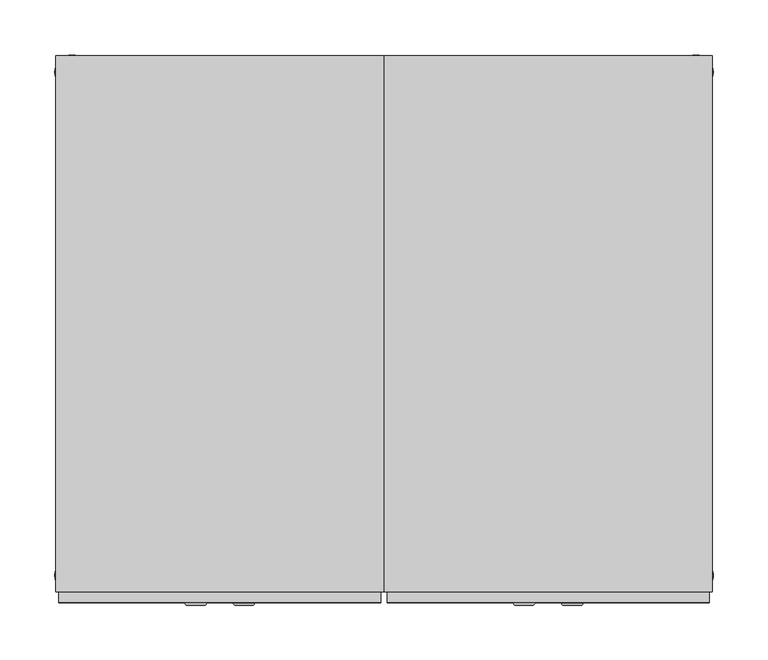
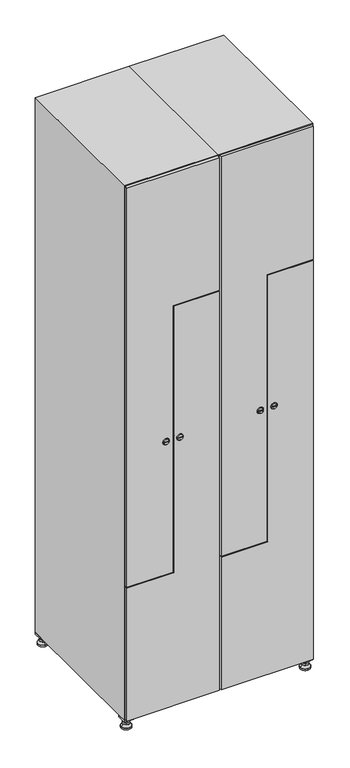
"""IFC4 building model written with IfcOpenShell, lengths in millimetres: furniture geometry."""

from ifc_helpers import new_model, si_unit, point, frame, frame_2d, origin, origin_with_axes, place, context, project, spatial, polyline, circle_curve, trimmed, segment, composite_curve, outline, extrude, faceted_brep, source, transform, mapped, element, save
from ifc_brep_helpers import plane_surface, revolved_surface, advanced_brep


def furniture_1d01e84a(model_context):
    return source(origin(), model_context, "Body", "SolidModel", [
        extrude(outline(polyline([(400.0, 245.0), (400.0, 215.0), (370.0, 215.0), (370.0, 245.0), (400.0, 245.0)]), holes=[polyline([(398.0, 243.0), (372.0, 243.0), (372.0, 217.0), (398.0, 217.0), (398.0, 243.0)])]), frame((0.0, 0.0, 28.5), z_axis=(0.0, 0.0, 1.0), x_axis=(1.0, 0.0, 0.0)), (0.0, 0.0, 1.0), 6.5),
        extrude(outline(polyline([(370.0, -245.0), (370.0, -215.0), (400.0, -215.0), (400.0, -245.0), (370.0, -245.0)]), holes=[polyline([(372.0, -243.0), (398.0, -243.0), (398.0, -217.0), (372.0, -217.0), (372.0, -243.0)])]), frame((0.0, 0.0, 28.5), z_axis=(0.0, 0.0, 1.0), x_axis=(1.0, 0.0, 0.0)), (0.0, 0.0, 1.0), 6.5),
        extrude(outline(polyline([(-170.0, 245.0), (-170.0, 215.0), (-200.0, 215.0), (-200.0, 245.0), (-170.0, 245.0)]), holes=[polyline([(-172.0, 243.0), (-198.0, 243.0), (-198.0, 217.0), (-172.0, 217.0), (-172.0, 243.0)])]), frame((0.0, 0.0, 28.5), z_axis=(0.0, 0.0, 1.0), x_axis=(1.0, 0.0, 0.0)), (0.0, 0.0, 1.0), 6.5),
        extrude(outline(polyline([(-170.0, -215.0), (-170.0, -245.0), (-200.0, -245.0), (-200.0, -215.0), (-170.0, -215.0)]), holes=[polyline([(-198.0, -243.0), (-172.0, -243.0), (-172.0, -217.0), (-198.0, -217.0), (-198.0, -243.0)])]), frame((0.0, 0.0, 28.5), z_axis=(0.0, 0.0, 1.0), x_axis=(1.0, 0.0, 0.0)), (0.0, 0.0, 1.0), 6.5),
        extrude(outline(composite_curve([segment(trimmed(circle_curve(frame_2d((-185.0, 230.0)), 5.0), [point((-180.0, 230.0))], [point((-190.0, 230.0))], False, "CARTESIAN"), True, "CONTINUOUS"), segment(trimmed(circle_curve(frame_2d((-185.0, 230.0)), 5.0), [point((-190.0, 230.0))], [point((-180.0, 230.0))], False, "CARTESIAN"), True, "CONTINUOUS")], self_intersect=False)), frame((0.0, 0.0, 19.6), z_axis=(0.0, 0.0, 1.0), x_axis=(1.0, 0.0, 0.0)), (0.0, 0.0, 1.0), 15.4),
        extrude(outline(composite_curve([segment(trimmed(circle_curve(frame_2d((-185.0, -230.0)), 5.0), [point((-180.0, -230.0))], [point((-190.0, -230.0))], False, "CARTESIAN"), True, "CONTINUOUS"), segment(trimmed(circle_curve(frame_2d((-185.0, -230.0)), 5.0), [point((-190.0, -230.0))], [point((-180.0, -230.0))], False, "CARTESIAN"), True, "CONTINUOUS")], self_intersect=False)), frame((0.0, 0.0, 19.6), z_axis=(0.0, 0.0, 1.0), x_axis=(1.0, 0.0, 0.0)), (0.0, 0.0, 1.0), 15.4),
        extrude(outline(composite_curve([segment(trimmed(circle_curve(frame_2d((385.0, 230.0)), 5.0), [point((390.0, 230.0))], [point((380.0, 230.0))], False, "CARTESIAN"), True, "CONTINUOUS"), segment(trimmed(circle_curve(frame_2d((385.0, 230.0)), 5.0), [point((380.0, 230.0))], [point((390.0, 230.0))], False, "CARTESIAN"), True, "CONTINUOUS")], self_intersect=False)), frame((0.0, 0.0, 19.6), z_axis=(0.0, 0.0, 1.0), x_axis=(1.0, 0.0, 0.0)), (0.0, 0.0, 1.0), 15.4),
        extrude(outline(polyline([(373.4529946, 230.0), (379.2264973, 240.0), (390.7735027, 240.0), (396.5470054, 230.0), (390.7735027, 220.0), (379.2264973, 220.0), (373.4529946, 230.0)])), frame((0.0, 0.0, 13.6), z_axis=(0.0, 0.0, 1.0), x_axis=(1.0, 0.0, 0.0)), (0.0, 0.0, 1.0), 6.0),
        extrude(outline(composite_curve([segment(trimmed(circle_curve(frame_2d((385.0, -230.0)), 5.0), [point((390.0, -230.0))], [point((380.0, -230.0))], False, "CARTESIAN"), True, "CONTINUOUS"), segment(trimmed(circle_curve(frame_2d((385.0, -230.0)), 5.0), [point((380.0, -230.0))], [point((390.0, -230.0))], False, "CARTESIAN"), True, "CONTINUOUS")], self_intersect=False)), frame((0.0, 0.0, 19.6), z_axis=(0.0, 0.0, 1.0), x_axis=(1.0, 0.0, 0.0)), (0.0, 0.0, 1.0), 15.4),
        extrude(outline(polyline([(373.4529946, -230.0), (379.2264973, -220.0), (390.7735027, -220.0), (396.5470054, -230.0), (390.7735027, -240.0), (379.2264973, -240.0), (373.4529946, -230.0)])), frame((0.0, 0.0, 13.6), z_axis=(0.0, 0.0, 1.0), x_axis=(1.0, 0.0, 0.0)), (0.0, 0.0, 1.0), 6.0),
        extrude(outline(composite_curve([segment(trimmed(circle_curve(frame_2d((385.0, 230.0)), 5.0), [point((390.0, 230.0))], [point((380.0, 230.0))], False, "CARTESIAN"), True, "CONTINUOUS"), segment(trimmed(circle_curve(frame_2d((385.0, 230.0)), 5.0), [point((380.0, 230.0))], [point((390.0, 230.0))], False, "CARTESIAN"), True, "CONTINUOUS")], self_intersect=False)), frame((0.0, 0.0, 12.1), z_axis=(0.0, 0.0, 1.0), x_axis=(1.0, 0.0, 0.0)), (0.0, 0.0, 1.0), 1.5),
        extrude(outline(composite_curve([segment(trimmed(circle_curve(frame_2d((385.0, -230.0)), 5.0), [point((390.0, -230.0))], [point((380.0, -230.0))], False, "CARTESIAN"), True, "CONTINUOUS"), segment(trimmed(circle_curve(frame_2d((385.0, -230.0)), 5.0), [point((380.0, -230.0))], [point((390.0, -230.0))], False, "CARTESIAN"), True, "CONTINUOUS")], self_intersect=False)), frame((0.0, 0.0, 12.1), z_axis=(0.0, 0.0, 1.0), x_axis=(1.0, 0.0, 0.0)), (0.0, 0.0, 1.0), 1.5),
        extrude(outline(polyline([(-196.5470054, 230.0), (-190.7735027, 240.0), (-179.2264973, 240.0), (-173.4529946, 230.0), (-179.2264973, 220.0), (-190.7735027, 220.0), (-196.5470054, 230.0)])), frame((0.0, 0.0, 13.6), z_axis=(0.0, 0.0, 1.0), x_axis=(1.0, 0.0, 0.0)), (0.0, 0.0, 1.0), 6.0),
        extrude(outline(polyline([(-196.5470054, -230.0), (-190.7735027, -220.0), (-179.2264973, -220.0), (-173.4529946, -230.0), (-179.2264973, -240.0), (-190.7735027, -240.0), (-196.5470054, -230.0)])), frame((0.0, 0.0, 13.6), z_axis=(0.0, 0.0, 1.0), x_axis=(1.0, 0.0, 0.0)), (0.0, 0.0, 1.0), 6.0),
        extrude(outline(composite_curve([segment(trimmed(circle_curve(frame_2d((-185.0, 230.0)), 5.0), [point((-185.0, 235.0))], [point((-185.0, 225.0))], False, "CARTESIAN"), True, "CONTINUOUS"), segment(trimmed(circle_curve(frame_2d((-185.0, 230.0)), 5.0), [point((-185.0, 225.0))], [point((-185.0, 235.0))], False, "CARTESIAN"), True, "CONTINUOUS")], self_intersect=False)), frame((0.0, 0.0, 12.1), z_axis=(0.0, 0.0, 1.0), x_axis=(1.0, 0.0, 0.0)), (0.0, 0.0, 1.0), 1.5),
        extrude(outline(composite_curve([segment(trimmed(circle_curve(frame_2d((-185.0, -230.0)), 5.0), [point((-180.0, -230.0))], [point((-190.0, -230.0))], False, "CARTESIAN"), True, "CONTINUOUS"), segment(trimmed(circle_curve(frame_2d((-185.0, -230.0)), 5.0), [point((-190.0, -230.0))], [point((-180.0, -230.0))], False, "CARTESIAN"), True, "CONTINUOUS")], self_intersect=False)), frame((0.0, 0.0, 12.1), z_axis=(0.0, 0.0, 1.0), x_axis=(1.0, 0.0, 0.0)), (0.0, 0.0, 1.0), 1.5),
        extrude(outline(composite_curve([segment(trimmed(circle_curve(frame_2d((385.0, 230.0)), 15.75), [point((400.75, 230.0))], [point((369.25, 230.0))], False, "CARTESIAN"), True, "CONTINUOUS"), segment(trimmed(circle_curve(frame_2d((385.0, 230.0)), 15.75), [point((369.25, 230.0))], [point((400.75, 230.0))], False, "CARTESIAN"), True, "CONTINUOUS")], self_intersect=False)), origin_with_axes(), (0.0, 0.0, 1.0), 5.1),
        extrude(outline(composite_curve([segment(trimmed(circle_curve(frame_2d((385.0, -230.0)), 15.75), [point((385.0, -214.25))], [point((385.0, -245.75))], False, "CARTESIAN"), True, "CONTINUOUS"), segment(trimmed(circle_curve(frame_2d((385.0, -230.0)), 15.75), [point((385.0, -245.75))], [point((385.0, -214.25))], False, "CARTESIAN"), True, "CONTINUOUS")], self_intersect=False)), origin_with_axes(), (0.0, 0.0, 1.0), 5.1),
        extrude(outline(composite_curve([segment(trimmed(circle_curve(frame_2d((-185.0, -230.0)), 15.75), [point((-169.25, -230.0))], [point((-200.75, -230.0))], False, "CARTESIAN"), True, "CONTINUOUS"), segment(trimmed(circle_curve(frame_2d((-185.0, -230.0)), 15.75), [point((-200.75, -230.0))], [point((-169.25, -230.0))], False, "CARTESIAN"), True, "CONTINUOUS")], self_intersect=False)), origin_with_axes(), (0.0, 0.0, 1.0), 5.1),
        extrude(outline(composite_curve([segment(trimmed(circle_curve(frame_2d((-185.0, 230.0)), 15.75), [point((-169.25, 230.0))], [point((-200.75, 230.0))], False, "CARTESIAN"), True, "CONTINUOUS"), segment(trimmed(circle_curve(frame_2d((-185.0, 230.0)), 15.75), [point((-200.75, 230.0))], [point((-169.25, 230.0))], False, "CARTESIAN"), True, "CONTINUOUS")], self_intersect=False)), origin_with_axes(), (0.0, 0.0, 1.0), 5.1),
        advanced_brep(
        [(-185.0, 239.5, 12.1), (-185.0, 220.5, 12.1), (-185.0, 214.25, 5.1), (-185.0, 245.75, 5.1)],
        [
            (0, 1, circle_curve(frame((-185.0, 230.0, 12.1), z_axis=(0.0, 0.0, -1.0), x_axis=(0.0, 1.0, 0.0)), 9.5)),
            (1, 2),
            (2, 3, circle_curve(frame((-185.0, 230.0, 5.1), z_axis=(0.0, 0.0, 1.0), x_axis=(0.0, 1.0, 0.0)), 15.75)),
            (3, 0),
            (1, 0, circle_curve(frame((-185.0, 230.0, 12.1), z_axis=(0.0, 0.0, -1.0), x_axis=(0.0, -1.0, 0.0)), 9.5)),
            (3, 2, circle_curve(frame((-185.0, 230.0, 5.1), z_axis=(0.0, 0.0, 1.0), x_axis=(0.0, -1.0, 0.0)), 15.75)),
        ],
        [
            revolved_surface(polyline([(-185.0, 220.5, 12.099999999999998), (-185.0, 214.25, 5.099999999999998)]), (-185.0, 230.0, 22.74), (0.0, 0.0, -1.0)),
            revolved_surface(polyline([(-185.0, 239.5, 12.099999999999998), (-185.0, 245.75, 5.099999999999998)]), (-185.0, 230.0, 22.74), (0.0, 0.0, -1.0)),
            plane_surface(frame((-185.0, 230.0, 5.1), z_axis=(0.0, 0.0, -1.0), x_axis=(1.0, 0.0, 0.0))),
            plane_surface(frame((-185.0, 230.0, 12.1), z_axis=(0.0, 0.0, 1.0), x_axis=(1.0, 0.0, 0.0))),
        ],
        [
            (0, [[1, 2, 3, 4]]),
            (1, [[5, -4, 6, -2]]),
            (2, [[-3, -6]]),
            (3, [[-5, -1]]),
        ],
    ),
        advanced_brep(
        [(385.0, 239.5, 12.1), (385.0, 220.5, 12.1), (385.0, 214.25, 5.1), (385.0, 245.75, 5.1)],
        [
            (0, 1, circle_curve(frame((385.0, 230.0, 12.1), z_axis=(0.0, 0.0, -1.0), x_axis=(0.0, 1.0, 0.0)), 9.5)),
            (1, 2),
            (2, 3, circle_curve(frame((385.0, 230.0, 5.1), z_axis=(0.0, 0.0, 1.0), x_axis=(0.0, 1.0, 0.0)), 15.75)),
            (3, 0),
            (1, 0, circle_curve(frame((385.0, 230.0, 12.1), z_axis=(0.0, 0.0, -1.0), x_axis=(0.0, -1.0, 0.0)), 9.5)),
            (3, 2, circle_curve(frame((385.0, 230.0, 5.1), z_axis=(0.0, 0.0, 1.0), x_axis=(0.0, -1.0, 0.0)), 15.75)),
        ],
        [
            revolved_surface(polyline([(385.0, 220.5, 12.099999999999998), (385.0, 214.25, 5.099999999999998)]), (385.0, 230.0, 22.74), (0.0, 0.0, -1.0)),
            revolved_surface(polyline([(385.0, 239.5, 12.099999999999998), (385.0, 245.75, 5.099999999999998)]), (385.0, 230.0, 22.74), (0.0, 0.0, -1.0)),
            plane_surface(frame((385.0, 230.0, 5.1), z_axis=(0.0, 0.0, -1.0), x_axis=(1.0, 0.0, 0.0))),
            plane_surface(frame((385.0, 230.0, 12.1), z_axis=(0.0, 0.0, 1.0), x_axis=(1.0, 0.0, 0.0))),
        ],
        [
            (0, [[1, 2, 3, 4]]),
            (1, [[5, -4, 6, -2]]),
            (2, [[-3, -6]]),
            (3, [[-5, -1]]),
        ],
    ),
        advanced_brep(
        [(400.75, -230.0, 5.1), (369.25, -230.0, 5.1), (375.5, -230.0, 12.1), (394.5, -230.0, 12.1)],
        [
            (0, 1, circle_curve(frame((385.0, -230.0, 5.1), z_axis=(0.0, 0.0, 1.0), x_axis=(1.0, 0.0, 0.0)), 15.75)),
            (1, 2),
            (2, 3, circle_curve(frame((385.0, -230.0, 12.1), z_axis=(0.0, 0.0, -1.0), x_axis=(1.0, 0.0, 0.0)), 9.5)),
            (3, 0),
            (1, 0, circle_curve(frame((385.0, -230.0, 5.1), z_axis=(0.0, 0.0, 1.0), x_axis=(-1.0, 0.0, 0.0)), 15.75)),
            (3, 2, circle_curve(frame((385.0, -230.0, 12.1), z_axis=(0.0, 0.0, -1.0), x_axis=(-1.0, 0.0, 0.0)), 9.5)),
        ],
        [
            revolved_surface(polyline([(394.5, -230.0, 12.099999999999998), (400.75, -230.0, 5.099999999999998)]), (385.0, -230.0, 22.74), (0.0, 0.0, -1.0)),
            revolved_surface(polyline([(375.5, -230.0, 12.099999999999998), (369.25, -230.0, 5.099999999999998)]), (385.0, -230.0, 22.74), (0.0, 0.0, -1.0)),
            plane_surface(frame((385.0, -230.0, 12.1), z_axis=(0.0, 0.0, 1.0), x_axis=(0.0, 1.0, 0.0))),
            plane_surface(frame((385.0, -230.0, 5.1), z_axis=(0.0, 0.0, -1.0), x_axis=(0.0, 1.0, 0.0))),
        ],
        [
            (0, [[1, 2, 3, 4]]),
            (1, [[5, -4, 6, -2]]),
            (2, [[-3, -6]]),
            (3, [[-5, -1]]),
        ],
    ),
        advanced_brep(
        [(-169.25, -230.0, 5.1), (-200.75, -230.0, 5.1), (-194.5, -230.0, 12.1), (-175.5, -230.0, 12.1)],
        [
            (0, 1, circle_curve(frame((-185.0, -230.0, 5.1), z_axis=(0.0, 0.0, 1.0), x_axis=(1.0, 0.0, 0.0)), 15.75)),
            (1, 2),
            (2, 3, circle_curve(frame((-185.0, -230.0, 12.1), z_axis=(0.0, 0.0, -1.0), x_axis=(1.0, 0.0, 0.0)), 9.5)),
            (3, 0),
            (1, 0, circle_curve(frame((-185.0, -230.0, 5.1), z_axis=(0.0, 0.0, 1.0), x_axis=(-1.0, 0.0, 0.0)), 15.75)),
            (3, 2, circle_curve(frame((-185.0, -230.0, 12.1), z_axis=(0.0, 0.0, -1.0), x_axis=(-1.0, 0.0, 0.0)), 9.5)),
        ],
        [
            revolved_surface(polyline([(-175.5, -230.0, 12.099999999999998), (-169.25, -230.0, 5.099999999999998)]), (-185.0, -230.0, 22.74), (0.0, 0.0, -1.0)),
            revolved_surface(polyline([(-194.5, -230.0, 12.099999999999998), (-200.75, -230.0, 5.099999999999998)]), (-185.0, -230.0, 22.74), (0.0, 0.0, -1.0)),
            plane_surface(frame((-185.0, -230.0, 12.1), z_axis=(0.0, 0.0, 1.0), x_axis=(0.0, 1.0, 0.0))),
            plane_surface(frame((-185.0, -230.0, 5.1), z_axis=(0.0, 0.0, -1.0), x_axis=(0.0, 1.0, 0.0))),
        ],
        [
            (0, [[1, 2, 3, 4]]),
            (1, [[5, -4, 6, -2]]),
            (2, [[-3, -6]]),
            (3, [[-5, -1]]),
        ],
    ),
        extrude(outline(composite_curve([segment(trimmed(circle_curve(frame_2d((935.0, 254.7989466)), 7.0), [point((928.0, 254.7989466))], [point((942.0, 254.7989466))], False, "CARTESIAN"), True, "CONTINUOUS"), segment(polyline([(942.0, 254.7989466), (942.0, 226.7989466)]), True, "CONTINUOUS"), segment(trimmed(circle_curve(frame_2d((935.0, 226.7989466)), 7.0), [point((942.0, 226.7989466))], [point((928.0, 226.7989466))], False, "CARTESIAN"), True, "CONTINUOUS"), segment(polyline([(928.0, 226.7989466), (928.0, 254.7989466)]), True, "CONTINUOUS")], self_intersect=False)), frame((0.0, -245.0, 0.0), z_axis=(0.0, 1.0, 0.0), x_axis=(0.0, 0.0, 1.0)), (0.0, 0.0, 1.0), 2.0),
        advanced_brep(
        [(219.5, -257.2, 935.0), (236.5, -257.2, 935.0), (233.0, -257.2, 936.25), (233.0, -257.2, 933.75), (223.0, -257.2, 933.75), (223.0, -257.2, 936.25), (217.5, -255.0, 935.0), (238.5, -255.0, 935.0), (233.0, -255.0, 933.75), (233.0, -255.0, 936.25), (223.0, -255.0, 936.25), (223.0, -255.0, 933.75)],
        [
            (0, 1, circle_curve(frame((228.0, -257.2, 935.0), z_axis=(0.0, -1.0, 0.0), x_axis=(-1.0, 0.0, 0.0)), 8.5)),
            (1, 0, circle_curve(frame((228.0, -257.2, 935.0), z_axis=(0.0, -1.0, 0.0), x_axis=(1.0, 0.0, 0.0)), 8.5)),
            (2, 3),
            (3, 4),
            (4, 5),
            (5, 2),
            (6, 7, circle_curve(frame((228.0, -255.0, 935.0), z_axis=(0.0, 1.0, 0.0), x_axis=(1.0, 0.0, 0.0)), 10.5)),
            (7, 6, circle_curve(frame((228.0, -255.0, 935.0), z_axis=(0.0, 1.0, 0.0), x_axis=(-1.0, 0.0, 0.0)), 10.5)),
            (8, 9),
            (9, 10),
            (10, 11),
            (11, 8),
            (0, 6),
            (7, 1),
            (8, 3),
            (2, 9),
            (11, 4),
            (10, 5),
        ],
        [
            plane_surface(frame((228.0, -257.2, 935.0), z_axis=(0.0, -1.0, 0.0), x_axis=(0.0, 0.0, -1.0))),
            plane_surface(frame((228.0, -255.0, 935.0), z_axis=(0.0, 1.0, 0.0), x_axis=(0.0, 0.0, -1.0))),
            revolved_surface(polyline([(219.5, -257.2, 935.0), (217.5, -255.0, 935.0)]), (228.0, -266.55, 935.0), (0.0, 1.0, 0.0)),
            revolved_surface(polyline([(236.5, -257.2, 935.0), (238.5, -255.0, 935.0)]), (228.0, -266.55, 935.0), (0.0, 1.0, 0.0)),
            plane_surface(frame((233.0, -255.0, 936.25), z_axis=(-1.0, 0.0, 0.0), x_axis=(0.0, -1.0, 0.0))),
            plane_surface(frame((233.0, -255.0, 933.75), z_axis=(0.0, 0.0, 1.0), x_axis=(0.0, -1.0, 0.0))),
            plane_surface(frame((223.0, -255.0, 933.75), z_axis=(1.0, 0.0, 0.0), x_axis=(0.0, -1.0, 0.0))),
            plane_surface(frame((223.0, -255.0, 936.25), z_axis=(0.0, 0.0, -1.0), x_axis=(0.0, -1.0, 0.0))),
        ],
        [
            (0, [[1, 2], [3, 4, 5, 6]]),
            (1, [[7, 8], [9, 10, 11, 12]]),
            (2, [[-1, 13, -8, 14]]),
            (3, [[-2, -14, -7, -13]]),
            (4, [[15, -3, 16, -9]]),
            (5, [[-15, -12, 17, -4]]),
            (6, [[-17, -11, 18, -5]]),
            (7, [[-16, -6, -18, -10]]),
        ],
    ),
        extrude(outline(polyline([(1832.0, 103.0), (488.0, 103.0), (488.0, 248.5), (1385.0, 248.5), (1385.0, 397.0), (1832.0, 397.0), (1832.0, 103.0)])), frame((0.0, -255.0, 0.0), z_axis=(0.0, 1.0, 0.0), x_axis=(0.0, 0.0, 1.0)), (0.0, 0.0, 1.0), 10.0),
        extrude(outline(composite_curve([segment(trimmed(circle_curve(frame_2d((935.0, 245.2010534)), 7.0), [point((942.0, 245.2010534))], [point((928.0, 245.2010534))], False, "CARTESIAN"), True, "CONTINUOUS"), segment(polyline([(928.0, 245.2010534), (928.0, 273.2010534)]), True, "CONTINUOUS"), segment(trimmed(circle_curve(frame_2d((935.0, 273.2010534)), 7.0), [point((928.0, 273.2010534))], [point((942.0, 273.2010534))], False, "CARTESIAN"), True, "CONTINUOUS"), segment(polyline([(942.0, 273.2010534), (942.0, 245.2010534)]), True, "CONTINUOUS")], self_intersect=False)), frame((0.0, -245.0, 0.0), z_axis=(0.0, 1.0, 0.0), x_axis=(0.0, 0.0, 1.0)), (0.0, 0.0, 1.0), 2.0),
        advanced_brep(
        [(280.5, -257.2, 935.0), (263.5, -257.2, 935.0), (267.0, -257.2, 933.75), (267.0, -257.2, 936.25), (277.0, -257.2, 936.25), (277.0, -257.2, 933.75), (282.5, -255.0, 935.0), (261.5, -255.0, 935.0), (267.0, -255.0, 936.25), (267.0, -255.0, 933.75), (277.0, -255.0, 933.75), (277.0, -255.0, 936.25)],
        [
            (0, 1, circle_curve(frame((272.0, -257.2, 935.0), z_axis=(0.0, -1.0, 0.0), x_axis=(1.0, 0.0, 0.0)), 8.5)),
            (1, 0, circle_curve(frame((272.0, -257.2, 935.0), z_axis=(0.0, -1.0, 0.0), x_axis=(-1.0, 0.0, 0.0)), 8.5)),
            (2, 3),
            (3, 4),
            (4, 5),
            (5, 2),
            (6, 7, circle_curve(frame((272.0, -255.0, 935.0), z_axis=(0.0, 1.0, 0.0), x_axis=(-1.0, 0.0, 0.0)), 10.5)),
            (7, 6, circle_curve(frame((272.0, -255.0, 935.0), z_axis=(0.0, 1.0, 0.0), x_axis=(1.0, 0.0, 0.0)), 10.5)),
            (8, 9),
            (9, 10),
            (10, 11),
            (11, 8),
            (0, 6),
            (7, 1),
            (8, 3),
            (2, 9),
            (11, 4),
            (10, 5),
        ],
        [
            plane_surface(frame((272.0, -257.2, 935.0), z_axis=(0.0, -1.0, 0.0), x_axis=(0.0, 0.0, 1.0))),
            plane_surface(frame((272.0, -255.0, 935.0), z_axis=(0.0, 1.0, 0.0), x_axis=(0.0, 0.0, 1.0))),
            revolved_surface(polyline([(280.5, -257.2, 935.0), (282.5, -255.0, 935.0)]), (272.0, -266.55, 935.0), (0.0, 1.0, 0.0)),
            revolved_surface(polyline([(263.5, -257.2, 935.0), (261.5, -255.0, 935.0)]), (272.0, -266.55, 935.0), (0.0, 1.0, 0.0)),
            plane_surface(frame((267.0, -255.0, 933.75), z_axis=(1.0, 0.0, 0.0), x_axis=(0.0, -1.0, 0.0))),
            plane_surface(frame((267.0, -255.0, 936.25), z_axis=(0.0, 0.0, -1.0), x_axis=(0.0, -1.0, 0.0))),
            plane_surface(frame((277.0, -255.0, 936.25), z_axis=(-1.0, 0.0, 0.0), x_axis=(0.0, -1.0, 0.0))),
            plane_surface(frame((277.0, -255.0, 933.75), z_axis=(0.0, 0.0, 1.0), x_axis=(0.0, -1.0, 0.0))),
        ],
        [
            (0, [[1, 2], [3, 4, 5, 6]]),
            (1, [[7, 8], [9, 10, 11, 12]]),
            (2, [[-1, 13, -8, 14]]),
            (3, [[-2, -14, -7, -13]]),
            (4, [[15, -3, 16, -9]]),
            (5, [[-15, -12, 17, -4]]),
            (6, [[-17, -11, 18, -5]]),
            (7, [[-16, -6, -18, -10]]),
        ],
    ),
        extrude(outline(polyline([(38.0, 397.0), (1382.0, 397.0), (1382.0, 251.5), (485.0, 251.5), (485.0, 103.0), (38.0, 103.0), (38.0, 397.0)])), frame((0.0, -255.0, 0.0), z_axis=(0.0, 1.0, 0.0), x_axis=(0.0, 0.0, 1.0)), (0.0, 0.0, 1.0), 10.0),
        extrude(outline(polyline([(1373.3, 379.6), (1393.7, 379.6), (1393.7, 239.8), (496.7, 239.8), (496.7, 120.4), (476.3, 120.4), (476.3, 260.2), (1373.3, 260.2), (1373.3, 379.6)])), frame((0.0, -245.0, 0.0), z_axis=(0.0, 1.0, 0.0), x_axis=(0.0, 0.0, 1.0)), (0.0, 0.0, 1.0), 487.0),
        faceted_brep([(400.0, -245.0, 35.0), (400.0, -245.0, 1835.0), (100.0, -245.0, 1835.0), (100.0, -245.0, 35.0), (379.6, -245.0, 1804.8), (379.6, -245.0, 65.2), (120.4, -245.0, 65.2), (120.4, -245.0, 1804.8), (400.0, 245.0, 35.0), (100.0, 245.0, 35.0), (400.0, 245.0, 1835.0), (100.0, 245.0, 1835.0), (379.6, 242.0, 1804.8), (379.6, 242.0, 65.2), (100.0, 245.0, 1804.8), (120.4, 242.0, 1804.8), (120.4, 242.0, 65.2)], [[[0, 1, 2, 3], [4, 5, 6, 7]], [[8, 0, 3, 9]], [[1, 0, 8, 10]], [[1, 10, 11, 2]], [[4, 12, 13, 5]], [[9, 3, 2, 11, 14]], [[10, 8, 9, 14, 11]], [[12, 15, 16, 13]], [[15, 7, 6, 16]], [[4, 7, 15, 12]], [[6, 5, 13, 16]]]),
        extrude(outline(composite_curve([segment(trimmed(circle_curve(frame_2d((935.0, -45.2010534)), 7.0), [point((928.0, -45.2010534))], [point((942.0, -45.2010534))], False, "CARTESIAN"), True, "CONTINUOUS"), segment(polyline([(942.0, -45.2010534), (942.0, -73.2010534)]), True, "CONTINUOUS"), segment(trimmed(circle_curve(frame_2d((935.0, -73.2010534)), 7.0), [point((942.0, -73.2010534))], [point((928.0, -73.2010534))], False, "CARTESIAN"), True, "CONTINUOUS"), segment(polyline([(928.0, -73.2010534), (928.0, -45.2010534)]), True, "CONTINUOUS")], self_intersect=False)), frame((0.0, -245.0, 0.0), z_axis=(0.0, 1.0, 0.0), x_axis=(0.0, 0.0, 1.0)), (0.0, 0.0, 1.0), 2.0),
        advanced_brep(
        [(-80.5, -257.2, 935.0), (-63.5, -257.2, 935.0), (-67.0, -257.2, 936.25), (-67.0, -257.2, 933.75), (-77.0, -257.2, 933.75), (-77.0, -257.2, 936.25), (-82.5, -255.0, 935.0), (-61.5, -255.0, 935.0), (-67.0, -255.0, 933.75), (-67.0, -255.0, 936.25), (-77.0, -255.0, 936.25), (-77.0, -255.0, 933.75)],
        [
            (0, 1, circle_curve(frame((-72.0, -257.2, 935.0), z_axis=(0.0, -1.0, 0.0), x_axis=(-1.0, 0.0, 0.0)), 8.5)),
            (1, 0, circle_curve(frame((-72.0, -257.2, 935.0), z_axis=(0.0, -1.0, 0.0), x_axis=(1.0, 0.0, 0.0)), 8.5)),
            (2, 3),
            (3, 4),
            (4, 5),
            (5, 2),
            (6, 7, circle_curve(frame((-72.0, -255.0, 935.0), z_axis=(0.0, 1.0, 0.0), x_axis=(1.0, 0.0, 0.0)), 10.5)),
            (7, 6, circle_curve(frame((-72.0, -255.0, 935.0), z_axis=(0.0, 1.0, 0.0), x_axis=(-1.0, 0.0, 0.0)), 10.5)),
            (8, 9),
            (9, 10),
            (10, 11),
            (11, 8),
            (0, 6),
            (7, 1),
            (8, 3),
            (2, 9),
            (11, 4),
            (10, 5),
        ],
        [
            plane_surface(frame((-72.0, -257.2, 935.0), z_axis=(0.0, -1.0, 0.0), x_axis=(0.0, 0.0, -1.0))),
            plane_surface(frame((-72.0, -255.0, 935.0), z_axis=(0.0, 1.0, 0.0), x_axis=(0.0, 0.0, -1.0))),
            revolved_surface(polyline([(-80.50000000000001, -257.2, 935.0), (-82.5, -255.0, 935.0)]), (-72.0, -266.55, 935.0), (0.0, 1.0, 0.0)),
            revolved_surface(polyline([(-63.499999999999986, -257.2, 935.0), (-61.5, -255.0, 935.0)]), (-72.0, -266.55, 935.0), (0.0, 1.0, 0.0)),
            plane_surface(frame((-67.0, -255.0, 936.25), z_axis=(-1.0, 0.0, 0.0), x_axis=(0.0, -1.0, 0.0))),
            plane_surface(frame((-67.0, -255.0, 933.75), z_axis=(0.0, 0.0, 1.0), x_axis=(0.0, -1.0, 0.0))),
            plane_surface(frame((-77.0, -255.0, 933.75), z_axis=(1.0, 0.0, 0.0), x_axis=(0.0, -1.0, 0.0))),
            plane_surface(frame((-77.0, -255.0, 936.25), z_axis=(0.0, 0.0, -1.0), x_axis=(0.0, -1.0, 0.0))),
        ],
        [
            (0, [[1, 2], [3, 4, 5, 6]]),
            (1, [[7, 8], [9, 10, 11, 12]]),
            (2, [[-1, 13, -8, 14]]),
            (3, [[-2, -14, -7, -13]]),
            (4, [[15, -3, 16, -9]]),
            (5, [[-15, -12, 17, -4]]),
            (6, [[-17, -11, 18, -5]]),
            (7, [[-16, -6, -18, -10]]),
        ],
    ),
        extrude(outline(polyline([(1832.0, -197.0), (488.0, -197.0), (488.0, -51.5), (1385.0, -51.5), (1385.0, 97.0), (1832.0, 97.0), (1832.0, -197.0)])), frame((0.0, -255.0, 0.0), z_axis=(0.0, 1.0, 0.0), x_axis=(0.0, 0.0, 1.0)), (0.0, 0.0, 1.0), 10.0),
        extrude(outline(composite_curve([segment(trimmed(circle_curve(frame_2d((935.0, -54.7989466)), 7.0), [point((942.0, -54.7989466))], [point((928.0, -54.7989466))], False, "CARTESIAN"), True, "CONTINUOUS"), segment(polyline([(928.0, -54.7989466), (928.0, -26.7989466)]), True, "CONTINUOUS"), segment(trimmed(circle_curve(frame_2d((935.0, -26.7989466)), 7.0), [point((928.0, -26.7989466))], [point((942.0, -26.7989466))], False, "CARTESIAN"), True, "CONTINUOUS"), segment(polyline([(942.0, -26.7989466), (942.0, -54.7989466)]), True, "CONTINUOUS")], self_intersect=False)), frame((0.0, -245.0, 0.0), z_axis=(0.0, 1.0, 0.0), x_axis=(0.0, 0.0, 1.0)), (0.0, 0.0, 1.0), 2.0),
        advanced_brep(
        [(-19.5, -257.2, 935.0), (-36.5, -257.2, 935.0), (-33.0, -257.2, 933.75), (-33.0, -257.2, 936.25), (-23.0, -257.2, 936.25), (-23.0, -257.2, 933.75), (-17.5, -255.0, 935.0), (-38.5, -255.0, 935.0), (-33.0, -255.0, 936.25), (-33.0, -255.0, 933.75), (-23.0, -255.0, 933.75), (-23.0, -255.0, 936.25)],
        [
            (0, 1, circle_curve(frame((-28.0, -257.2, 935.0), z_axis=(0.0, -1.0, 0.0), x_axis=(1.0, 0.0, 0.0)), 8.5)),
            (1, 0, circle_curve(frame((-28.0, -257.2, 935.0), z_axis=(0.0, -1.0, 0.0), x_axis=(-1.0, 0.0, 0.0)), 8.5)),
            (2, 3),
            (3, 4),
            (4, 5),
            (5, 2),
            (6, 7, circle_curve(frame((-28.0, -255.0, 935.0), z_axis=(0.0, 1.0, 0.0), x_axis=(-1.0, 0.0, 0.0)), 10.5)),
            (7, 6, circle_curve(frame((-28.0, -255.0, 935.0), z_axis=(0.0, 1.0, 0.0), x_axis=(1.0, 0.0, 0.0)), 10.5)),
            (8, 9),
            (9, 10),
            (10, 11),
            (11, 8),
            (0, 6),
            (7, 1),
            (8, 3),
            (2, 9),
            (11, 4),
            (10, 5),
        ],
        [
            plane_surface(frame((-28.0, -257.2, 935.0), z_axis=(0.0, -1.0, 0.0), x_axis=(0.0, 0.0, 1.0))),
            plane_surface(frame((-28.0, -255.0, 935.0), z_axis=(0.0, 1.0, 0.0), x_axis=(0.0, 0.0, 1.0))),
            revolved_surface(polyline([(-19.499999999999986, -257.2, 935.0), (-17.5, -255.0, 935.0)]), (-28.0, -266.55, 935.0), (0.0, 1.0, 0.0)),
            revolved_surface(polyline([(-36.500000000000014, -257.2, 935.0), (-38.5, -255.0, 935.0)]), (-28.0, -266.55, 935.0), (0.0, 1.0, 0.0)),
            plane_surface(frame((-33.0, -255.0, 933.75), z_axis=(1.0, 0.0, 0.0), x_axis=(0.0, -1.0, 0.0))),
            plane_surface(frame((-33.0, -255.0, 936.25), z_axis=(0.0, 0.0, -1.0), x_axis=(0.0, -1.0, 0.0))),
            plane_surface(frame((-23.0, -255.0, 936.25), z_axis=(-1.0, 0.0, 0.0), x_axis=(0.0, -1.0, 0.0))),
            plane_surface(frame((-23.0, -255.0, 933.75), z_axis=(0.0, 0.0, 1.0), x_axis=(0.0, -1.0, 0.0))),
        ],
        [
            (0, [[1, 2], [3, 4, 5, 6]]),
            (1, [[7, 8], [9, 10, 11, 12]]),
            (2, [[-1, 13, -8, 14]]),
            (3, [[-2, -14, -7, -13]]),
            (4, [[15, -3, 16, -9]]),
            (5, [[-15, -12, 17, -4]]),
            (6, [[-17, -11, 18, -5]]),
            (7, [[-16, -6, -18, -10]]),
        ],
    ),
        extrude(outline(polyline([(38.0, 97.0), (1382.0, 97.0), (1382.0, -48.5), (485.0, -48.5), (485.0, -197.0), (38.0, -197.0), (38.0, 97.0)])), frame((0.0, -255.0, 0.0), z_axis=(0.0, 1.0, 0.0), x_axis=(0.0, 0.0, 1.0)), (0.0, 0.0, 1.0), 10.0),
        extrude(outline(polyline([(1373.3, 79.6), (1393.7, 79.6), (1393.7, -60.2), (496.7, -60.2), (496.7, -179.6), (476.3, -179.6), (476.3, -39.8), (1373.3, -39.8), (1373.3, 79.6)])), frame((0.0, -245.0, 0.0), z_axis=(0.0, 1.0, 0.0), x_axis=(0.0, 0.0, 1.0)), (0.0, 0.0, 1.0), 487.0),
        faceted_brep([(100.0, -245.0, 35.0), (100.0, -245.0, 1835.0), (-200.0, -245.0, 1835.0), (-200.0, -245.0, 35.0), (79.6, -245.0, 1804.8), (79.6, -245.0, 65.2), (-179.6, -245.0, 65.2), (-179.6, -245.0, 1804.8), (100.0, 245.0, 35.0), (-200.0, 245.0, 35.0), (100.0, 245.0, 1835.0), (-200.0, 245.0, 1835.0), (79.6, 242.0, 1804.8), (79.6, 242.0, 65.2), (-200.0, 245.0, 1804.8), (-179.6, 242.0, 1804.8), (-179.6, 242.0, 65.2)], [[[0, 1, 2, 3], [4, 5, 6, 7]], [[8, 0, 3, 9]], [[1, 0, 8, 10]], [[1, 10, 11, 2]], [[4, 12, 13, 5]], [[9, 3, 2, 11, 14]], [[10, 8, 9, 14, 11]], [[12, 15, 16, 13]], [[15, 7, 6, 16]], [[4, 7, 15, 12]], [[6, 5, 13, 16]]]),
    ])


if __name__ == "__main__":
    model = new_model("IFC4")
    model_context = context("Model", 3, world=origin())
    ifc_project = project(units=[si_unit("LENGTHUNIT", "METRE", prefix="MILLI")], contexts=[model_context])
    site = spatial("IfcSite", under=ifc_project)
    building = spatial("IfcBuilding", under=site)
    placement = place(None, origin())
    furniture_shape = furniture_1d01e84a(model_context)
    element("IfcFurniture", 1, at=placement, inside=building, context=model_context, shape_type="MappedRepresentation", body=[
        mapped(furniture_shape, transform((0.0, 0.0, 0.0), x_axis=(1.0, 0.0, 0.0), y_axis=(0.0, 1.0, 0.0), z_axis=(0.0, 0.0, 1.0))),
    ])
    save(model, "model.ifc")
